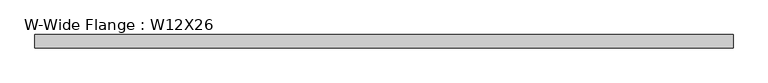
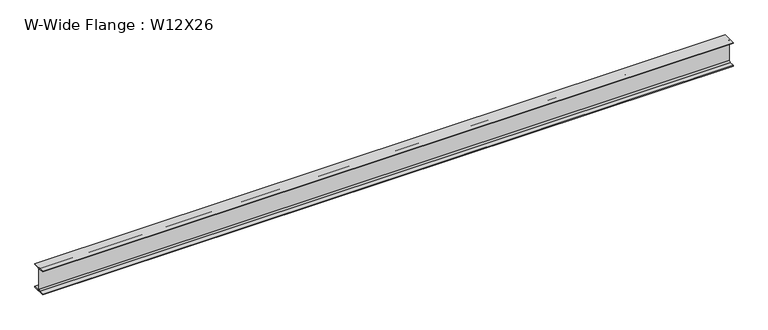
"""IFC4 building model written with IfcOpenShell, lengths in millimetres: beam geometry, W-Wide Flange : W12X26."""

import ifcopenshell
import ifcopenshell.guid

model = None  # the IFC model being written
_history = None  # IfcOwnerHistory: only IFC2X3 demands one
_inside = {}  # id of a spatial element -> (the spatial element, [elements in it])
_under = {}  # id of a project, library or spatial element -> (it, [spatial elements below it])
_declared = {}  # id of a project -> (the project, [libraries it declares])
_typed = {}  # id of a type object -> (the type object, [elements of that type])
_made_of = {}  # id of a material, layer set ... -> (it, [elements and type objects made of it])


def new_model(schema):
    """Start an empty IFC model of exactly this schema.

    Asked for "IFC4X3", IfcOpenShell would pick the latest addendum, in which some entities
    have other attributes; the version numbers below select the first issue.
    IFC2X3 requires an IfcOwnerHistory on every rooted entity: one is made here for all.
    """
    global model, _history
    if schema == "IFC4X3":
        model = ifcopenshell.file(schema_version=(4, 3, 0, 0))
    else:
        model = ifcopenshell.file(schema=schema)
    _inside.clear()
    _under.clear()
    _declared.clear()
    _typed.clear()
    _made_of.clear()
    _history = None
    if model.schema == "IFC2X3":
        org = make("IfcOrganization", Name="unknown")
        user = make(
            "IfcPersonAndOrganization",
            ThePerson=make("IfcPerson", FamilyName="unknown"),
            TheOrganization=org,
        )
        app = make(
            "IfcApplication",
            ApplicationDeveloper=org,
            Version="unknown",
            ApplicationFullName="unknown",
            ApplicationIdentifier="unknown",
        )
        _history = make(
            "IfcOwnerHistory",
            OwningUser=user,
            OwningApplication=app,
            ChangeAction="ADDED",
            CreationDate=0,
        )
    return model


def make(cls, **values):
    """One entity of the class cls with the attributes given. An attribute that is None is left unset."""
    return model.create_entity(
        cls, **{name: value for name, value in values.items() if value is not None}
    )


def rooted(cls, **values):
    """An entity with a GlobalId (a new one), such as an element, a storey or a relation."""
    return make(cls, GlobalId=ifcopenshell.guid.new(), OwnerHistory=_history, **values)


def si_unit(unit_type, name, prefix=None):
    """IfcSIUnit, for example si_unit("LENGTHUNIT", "METRE", prefix="MILLI")."""
    return make("IfcSIUnit", UnitType=unit_type, Prefix=prefix, Name=name)


def assignment(units):
    """IfcUnitAssignment: the units of a project."""
    return None if units is None else make("IfcUnitAssignment", Units=units)


def point(xyz):
    """IfcCartesianPoint."""
    return None if xyz is None else make("IfcCartesianPoint", Coordinates=xyz)


def direction(xyz):
    """IfcDirection."""
    return None if xyz is None else make("IfcDirection", DirectionRatios=xyz)


def frame(location, z_axis=None, x_axis=None):
    """IfcAxis2Placement3D, a coordinate frame: its origin and axes. An axis left out is left unset."""
    return make(
        "IfcAxis2Placement3D",
        Location=point(location),
        Axis=direction(z_axis),
        RefDirection=direction(x_axis),
    )


def frame_2d(location, x_axis=None):
    """IfcAxis2Placement2D, a coordinate frame in the plane: its origin and x axis."""
    return make(
        "IfcAxis2Placement2D", Location=point(location), RefDirection=direction(x_axis)
    )


def origin():
    """The frame at (0, 0, 0) with its axes left unset."""
    return frame((0.0, 0.0, 0.0))


def place(relative_to, where):
    """IfcLocalPlacement: puts the frame where relative to a parent placement (None: the world)."""
    return make(
        "IfcLocalPlacement", PlacementRelTo=relative_to, RelativePlacement=where
    )


def context(
    kind, dimensions, precision=None, world=None, true_north=None, identifier=None
):
    """IfcGeometricRepresentationContext, for example the 3D "Model" context."""
    return make(
        "IfcGeometricRepresentationContext",
        ContextIdentifier=identifier,
        ContextType=kind,
        CoordinateSpaceDimension=dimensions,
        Precision=precision,
        WorldCoordinateSystem=world,
        TrueNorth=true_north,
    )


def project(units=None, contexts=None):
    """IfcProject with its units and contexts."""
    return rooted(
        "IfcProject",
        Name="project",
        RepresentationContexts=contexts,
        UnitsInContext=assignment(units),
    )


def spatial(cls, under=None, at=None, **own):
    """A site, building, storey or space (cls), placed at a placement, below another one or the project."""
    s = rooted(cls, ObjectPlacement=at, **own)
    if under is not None:
        _under.setdefault(under.id(), (under, []))[1].append(s)
    return s


def polyline(points):
    """IfcPolyline through the points."""
    return make("IfcPolyline", Points=[point(p) for p in points])


def circle_curve(where, radius):
    """IfcCircle in the frame where."""
    return make("IfcCircle", Position=where, Radius=radius)


def trimmed(basis, trim1, trim2, sense, master):
    """IfcTrimmedCurve: the piece of a basis curve between two trims."""
    return make(
        "IfcTrimmedCurve",
        BasisCurve=basis,
        Trim1=trim1,
        Trim2=trim2,
        SenseAgreement=sense,
        MasterRepresentation=master,
    )


def segment(curve, same_sense, transition):
    """IfcCompositeCurveSegment."""
    return make(
        "IfcCompositeCurveSegment",
        Transition=transition,
        SameSense=same_sense,
        ParentCurve=curve,
    )


def composite_curve(segments, self_intersect=None):
    """IfcCompositeCurve: segments joined end to end."""
    return make("IfcCompositeCurve", Segments=segments, SelfIntersect=self_intersect)


def outline(outer, holes=None, kind="AREA"):
    """IfcArbitraryClosedProfileDef: a profile drawn as a closed curve; with holes, ...WithVoids."""
    if holes is None:
        return make("IfcArbitraryClosedProfileDef", ProfileType=kind, OuterCurve=outer)
    return make(
        "IfcArbitraryProfileDefWithVoids",
        ProfileType=kind,
        OuterCurve=outer,
        InnerCurves=holes,
    )


def extrude(swept, where, along, depth):
    """IfcExtrudedAreaSolid: the profile swept, set in the frame where, extruded along a direction by depth."""
    return make(
        "IfcExtrudedAreaSolid",
        SweptArea=swept,
        Position=where,
        ExtrudedDirection=direction(along),
        Depth=depth,
    )


def shape(context_of_items, identifier, shape_type, items):
    """IfcShapeRepresentation: the items that make up one representation, for example the "Body"."""
    return make(
        "IfcShapeRepresentation",
        ContextOfItems=context_of_items,
        RepresentationIdentifier=identifier,
        RepresentationType=shape_type,
        Items=items,
    )


def source(mapping_origin, context_of_items, identifier, shape_type, items):
    """IfcRepresentationMap: a shape defined once, which mapped items show again and again."""
    return make(
        "IfcRepresentationMap",
        MappingOrigin=mapping_origin,
        MappedRepresentation=shape(context_of_items, identifier, shape_type, items),
    )


def transform(
    local_origin,
    x_axis=None,
    y_axis=None,
    z_axis=None,
    scale=None,
    scale2=None,
    scale3=None,
    uniform=True,
):
    """IfcCartesianTransformationOperator3D, or its non-uniform kind. x_axis, y_axis, z_axis: its Axis1, 2, 3."""
    if uniform:
        return make(
            "IfcCartesianTransformationOperator3D",
            Axis1=direction(x_axis),
            Axis2=direction(y_axis),
            LocalOrigin=point(local_origin),
            Scale=scale,
            Axis3=direction(z_axis),
        )
    return make(
        "IfcCartesianTransformationOperator3DnonUniform",
        Axis1=direction(x_axis),
        Axis2=direction(y_axis),
        LocalOrigin=point(local_origin),
        Scale=scale,
        Axis3=direction(z_axis),
        Scale2=scale2,
        Scale3=scale3,
    )


def mapped(mapping_source, mapping_target):
    """IfcMappedItem: shows the shape of a source again, moved by a transform."""
    return make(
        "IfcMappedItem", MappingSource=mapping_source, MappingTarget=mapping_target
    )


def made_of(thing, what):
    """Note that an element or type object is made of a material, layer set ...; save() writes the relation."""
    if what is not None:
        _made_of.setdefault(what.id(), (what, []))[1].append(thing)
    return thing


def element(
    cls,
    number,
    at=None,
    inside=None,
    cuts=None,
    type_object=None,
    material=None,
    context=None,
    identifier="Body",
    shape_type=None,
    held_by="IfcProductDefinitionShape",
    body=None,
    shapes=None,
    **own,
):
    """One element of the class cls, such as IfcWall. Its Tag is "e" and its number.

    at: its placement. inside: the storey or other place that contains it. cuts: it is an
    opening in that element (IfcRelVoidsElement). A single representation is given by context,
    identifier, shape_type and body (its items); several are given by shapes. held_by: the class
    of the entity that holds the representations. save() writes the other relations.
    """
    e = rooted(cls, Tag="e%d" % number, ObjectPlacement=at, **own)
    if body is not None:
        shapes = [shape(context, identifier, shape_type, body)]
    if shapes is not None:
        e.Representation = make(held_by, Representations=shapes)
    if inside is not None:
        _inside.setdefault(inside.id(), (inside, []))[1].append(e)
    if cuts is not None:
        rooted(
            "IfcRelVoidsElement", RelatingBuildingElement=cuts, RelatedOpeningElement=e
        )
    if type_object is not None:
        _typed.setdefault(type_object.id(), (type_object, []))[1].append(e)
    return made_of(e, material)


def aggregate(whole, parts):
    """IfcRelAggregates: a whole, such as a stair, and the parts it consists of."""
    return rooted("IfcRelAggregates", RelatingObject=whole, RelatedObjects=parts)


def save(model, path):
    """Write the relations noted so far, then the file.

    IfcRelAggregates (storeys below a building ...), IfcRelContainedInSpatialStructure (elements
    in a storey), IfcRelDefinesByType, IfcRelAssociatesMaterial and IfcRelDeclares: one each for
    every whole, place, type object, material and project.
    """
    for whole, parts in _under.values():
        aggregate(whole, parts)
    for where, things in _inside.values():
        rooted(
            "IfcRelContainedInSpatialStructure",
            RelatedElements=things,
            RelatingStructure=where,
        )
    for kind, things in _typed.values():
        rooted("IfcRelDefinesByType", RelatedObjects=things, RelatingType=kind)
    for what, things in _made_of.values():
        rooted("IfcRelAssociatesMaterial", RelatedObjects=things, RelatingMaterial=what)
    for by, libraries in _declared.values():
        rooted("IfcRelDeclares", RelatingContext=by, RelatedDefinitions=libraries)
    model.write(path)


def w_wide_flange_w12x26_d7689485(model_context):
    return source(origin(), model_context, "Body", "SweptSolid", [
        extrude(outline(composite_curve([segment(polyline([(82.4011719, -145.5539063), (82.4011719, -155.178125), (-82.4011719, -155.178125), (-82.4011719, -145.5539063), (-20.2902344, -145.5539063)]), True, "CONTINUOUS"), segment(trimmed(circle_curve(frame_2d((-20.2902344, -128.190625)), 17.3632812), [point((-20.2902344, -145.5539063))], [point((-2.9269531, -128.190625))], True, "CARTESIAN"), True, "CONTINUOUS"), segment(polyline([(-2.9269531, -128.190625), (-2.9269531, 128.190625)]), True, "CONTINUOUS"), segment(trimmed(circle_curve(frame_2d((-20.2902344, 128.190625)), 17.3632812), [point((-2.9269531, 128.190625))], [point((-20.2902344, 145.5539062))], True, "CARTESIAN"), True, "CONTINUOUS"), segment(polyline([(-20.2902344, 145.5539062), (-82.4011719, 145.5539062), (-82.4011719, 155.178125), (82.4011719, 155.178125), (82.4011719, 145.5539062), (20.2902344, 145.5539062)]), True, "CONTINUOUS"), segment(trimmed(circle_curve(frame_2d((20.2902344, 128.190625)), 17.3632812), [point((20.2902344, 145.5539062))], [point((2.9269531, 128.190625))], True, "CARTESIAN"), True, "CONTINUOUS"), segment(polyline([(2.9269531, 128.190625), (2.9269531, -128.190625)]), True, "CONTINUOUS"), segment(trimmed(circle_curve(frame_2d((20.2902344, -128.190625)), 17.3632812), [point((2.9269531, -128.190625))], [point((20.2902344, -145.5539063))], True, "CARTESIAN"), True, "CONTINUOUS"), segment(polyline([(20.2902344, -145.5539063), (82.4011719, -145.5539063)]), True, "CONTINUOUS")], self_intersect=False)), frame((-4289.7552, 0.0, 0.0), z_axis=(1.0, 0.0, 0.0), x_axis=(0.0, 1.0, 0.0)), (0.0, 0.0, 1.0), 8579.5104),
    ])


if __name__ == "__main__":
    model = new_model("IFC4")
    model_context = context("Model", 3, world=origin())
    ifc_project = project(units=[si_unit("LENGTHUNIT", "METRE", prefix="MILLI")], contexts=[model_context])
    site = spatial("IfcSite", under=ifc_project)
    building = spatial("IfcBuilding", under=site)
    placement = place(None, origin())
    w_wide_flange_w12x26_shape = w_wide_flange_w12x26_d7689485(model_context)
    element("IfcBeam", 1, ObjectType="W-Wide Flange : W12X26", at=placement, inside=building, context=model_context, shape_type="MappedRepresentation", body=[
        mapped(w_wide_flange_w12x26_shape, transform((0.0, 0.0, 0.0), x_axis=(1.0, 0.0, 0.0), y_axis=(0.0, 1.0, 0.0), z_axis=(0.0, 0.0, 1.0))),
    ])
    save(model, "model.ifc")
